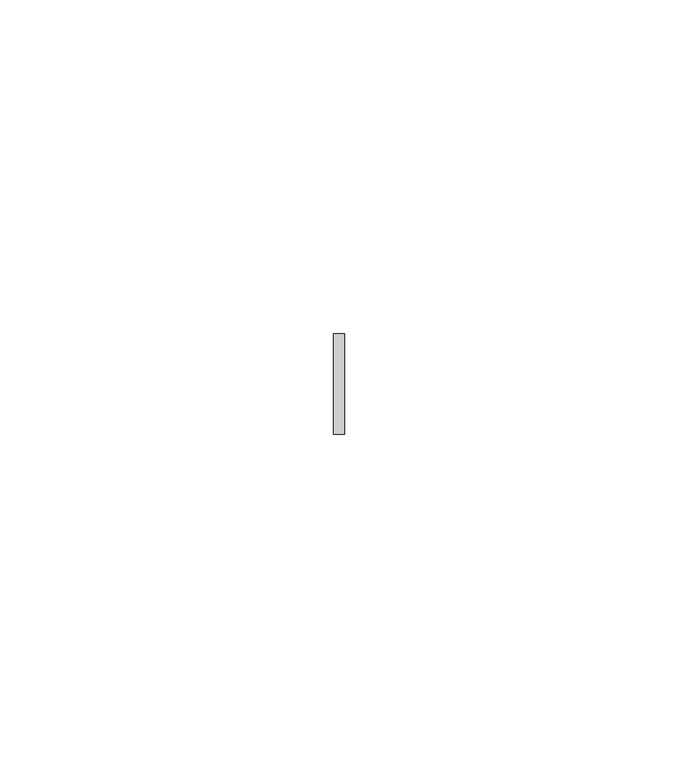
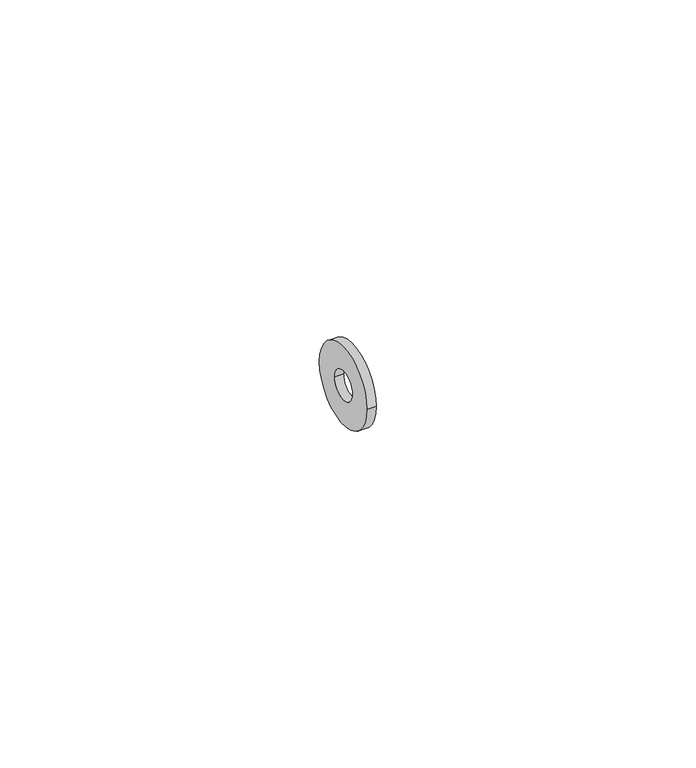
"""IFC4 building model written with IfcOpenShell, lengths in millimetres: proxy geometry."""

from ifc_helpers import new_model, si_unit, point, frame, origin, origin_2d, place, context, project, spatial, circle_curve, trimmed, segment, composite_curve, outline, extrude, source, transform, mapped, element, save


def generic_models_d89b0ef5(model_context):
    return source(origin(), model_context, "Body", "SweptSolid", [
        extrude(outline(composite_curve([segment(trimmed(circle_curve(origin_2d(), 7.5), [point((7.5, 0.0))], [point((-7.5, 0.0))], False, "CARTESIAN"), True, "CONTINUOUS"), segment(trimmed(circle_curve(origin_2d(), 7.5), [point((-7.5, 0.0))], [point((7.5, 0.0))], False, "CARTESIAN"), True, "CONTINUOUS")], self_intersect=False), holes=[composite_curve([segment(trimmed(circle_curve(origin_2d(), 2.75), [point((2.75, 0.0))], [point((-2.75, 0.0))], True, "CARTESIAN"), True, "CONTINUOUS"), segment(trimmed(circle_curve(origin_2d(), 2.75), [point((-2.75, 0.0))], [point((2.75, 0.0))], True, "CARTESIAN"), True, "CONTINUOUS")], self_intersect=False)]), frame((0.0, 0.0, 0.0), z_axis=(1.0, 0.0, 0.0), x_axis=(0.0, 1.0, 0.0)), (0.0, 0.0, 1.0), 1.6),
    ])


if __name__ == "__main__":
    model = new_model("IFC4")
    model_context = context("Model", 3, world=origin())
    ifc_project = project(units=[si_unit("LENGTHUNIT", "METRE", prefix="MILLI")], contexts=[model_context])
    site = spatial("IfcSite", under=ifc_project)
    building = spatial("IfcBuilding", under=site)
    placement = place(None, origin())
    generic_models_shape = generic_models_d89b0ef5(model_context)
    element("IfcBuildingElementProxy", 1, Name="Generic Models", at=placement, inside=building, context=model_context, shape_type="MappedRepresentation", body=[
        mapped(generic_models_shape, transform((0.0, 0.0, 0.0), x_axis=(1.0, 0.0, 0.0), y_axis=(0.0, 1.0, 0.0), z_axis=(0.0, 0.0, 1.0))),
    ])
    save(model, "model.ifc")
